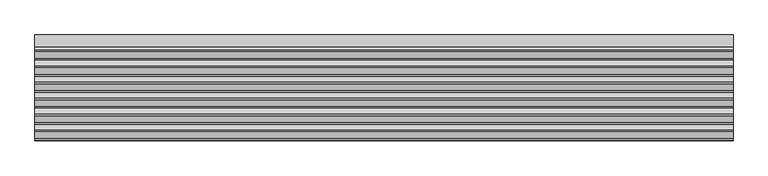
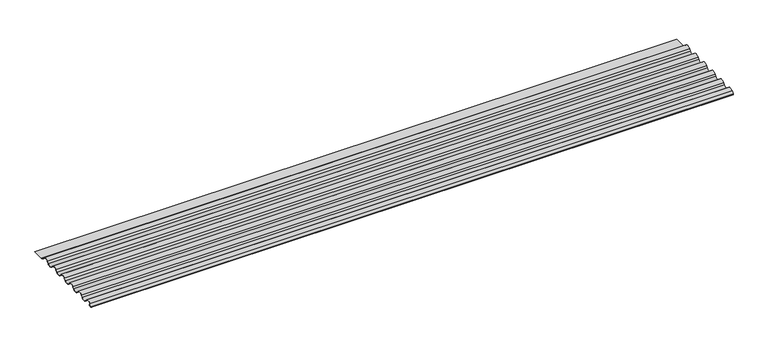
"""IFC4 building model written with IfcOpenShell, lengths in millimetres: proxy geometry."""

from ifc_helpers import new_model, si_unit, point, frame, frame_2d, origin, place, context, project, spatial, polyline, circle_curve, trimmed, segment, composite_curve, outline, extrude, source, transform, mapped, element, save


def generic_models_81b92cdd(model_context):
    return source(origin(), model_context, "Body", "SweptSolid", [
        extrude(outline(composite_curve([segment(polyline([(-182.6285528, 2.6804229), (-186.1326994, 4.8700592), (-190.6387344, 0.8128), (-195.7186473, 0.8128)]), True, "CONTINUOUS"), segment(trimmed(circle_curve(frame_2d((-195.7186473, 3.3528009)), 2.5400009), [point((-195.7186473, 0.8128))], [point((-197.6638043, 4.9861929))], False, "CARTESIAN"), True, "CONTINUOUS"), segment(polyline([(-197.6638043, 4.9861929), (-189.3692834, 14.8638867)]), True, "CONTINUOUS"), segment(trimmed(circle_curve(frame_2d((-174.6250023, 2.4827834)), 19.2531957), [point((-189.3692834, 14.8638867))], [point((-159.8807212, 14.8638867))], False, "CARTESIAN"), True, "CONTINUOUS"), segment(polyline([(-159.8807212, 14.8638867), (-153.4717126, 7.2315924)]), True, "CONTINUOUS"), segment(trimmed(circle_curve(frame_2d((-139.7000003, 18.7960079)), 17.9832079), [point((-153.4717126, 7.2315924))], [point((-125.9282879, 7.2315924))], True, "CARTESIAN"), True, "CONTINUOUS"), segment(polyline([(-125.9282879, 7.2315924), (-119.5192815, 14.8638841)]), True, "CONTINUOUS"), segment(trimmed(circle_curve(frame_2d((-104.7750004, 2.4827808)), 19.2531957), [point((-119.5192815, 14.8638841))], [point((-90.0307193, 14.8638842))], False, "CARTESIAN"), True, "CONTINUOUS"), segment(polyline([(-90.0307193, 14.8638842), (-83.6217128, 7.2315924)]), True, "CONTINUOUS"), segment(trimmed(circle_curve(frame_2d((-69.8500005, 18.7960079)), 17.9832079), [point((-83.6217128, 7.2315924))], [point((-56.0782882, 7.2315924))], True, "CARTESIAN"), True, "CONTINUOUS"), segment(polyline([(-56.0782882, 7.2315924), (-49.6692814, 14.8638846)]), True, "CONTINUOUS"), segment(trimmed(circle_curve(frame_2d((-34.9250003, 2.4827813)), 19.2531957), [point((-49.6692814, 14.8638846))], [point((-20.1807192, 14.8638846))], False, "CARTESIAN"), True, "CONTINUOUS"), segment(polyline([(-20.1807192, 14.8638846), (-13.7717123, 7.2315924)]), True, "CONTINUOUS"), segment(trimmed(circle_curve(frame_2d((0.0, 18.7960079)), 17.9832079), [point((-13.7717123, 7.2315924))], [point((13.7717123, 7.2315924))], True, "CARTESIAN"), True, "CONTINUOUS"), segment(polyline([(13.7717123, 7.2315924), (20.1807198, 14.8638854)]), True, "CONTINUOUS"), segment(trimmed(circle_curve(frame_2d((34.9250009, 2.4827821)), 19.2531957), [point((20.1807198, 14.8638854))], [point((49.669282, 14.8638854))], False, "CARTESIAN"), True, "CONTINUOUS"), segment(polyline([(49.669282, 14.8638854), (56.0782895, 7.2315924)]), True, "CONTINUOUS"), segment(trimmed(circle_curve(frame_2d((69.8500018, 18.7960079)), 17.9832079), [point((56.0782895, 7.2315924))], [point((83.6217142, 7.2315924))], True, "CARTESIAN"), True, "CONTINUOUS"), segment(polyline([(83.6217142, 7.2315924), (90.0307197, 14.863883)]), True, "CONTINUOUS"), segment(trimmed(circle_curve(frame_2d((104.7750008, 2.4827797)), 19.2531957), [point((90.0307197, 14.863883))], [point((119.5192819, 14.863883))], False, "CARTESIAN"), True, "CONTINUOUS"), segment(polyline([(119.5192819, 14.863883), (125.9282874, 7.2315924)]), True, "CONTINUOUS"), segment(trimmed(circle_curve(frame_2d((139.6999997, 18.7960079)), 17.9832079), [point((125.9282874, 7.2315924))], [point((153.471712, 7.2315924))], True, "CARTESIAN"), True, "CONTINUOUS"), segment(polyline([(153.471712, 7.2315924), (159.8807178, 14.8638833)]), True, "CONTINUOUS"), segment(trimmed(circle_curve(frame_2d((174.6249989, 2.48278)), 19.2531957), [point((159.8807178, 14.8638833))], [point((189.36928, 14.8638833))], False, "CARTESIAN"), True, "CONTINUOUS"), segment(polyline([(189.36928, 14.8638833), (195.7782857, 7.2315924)]), True, "CONTINUOUS"), segment(trimmed(circle_curve(frame_2d((209.549998, 18.7960079)), 17.9832079), [point((195.7782857, 7.2315924))], [point((209.549998, 0.8128))], True, "CARTESIAN"), True, "CONTINUOUS"), segment(polyline([(209.549998, 0.8128), (263.2106733, 0.8128), (263.2106733, 0.0), (209.549998, 0.0)]), True, "CONTINUOUS"), segment(trimmed(circle_curve(frame_2d((209.549998, 18.7960079)), 18.7960079), [point((209.549998, 0.0))], [point((195.1558357, 6.7089072))], False, "CARTESIAN"), True, "CONTINUOUS"), segment(polyline([(195.1558357, 6.7089072), (188.74683, 14.3411981)]), True, "CONTINUOUS"), segment(trimmed(circle_curve(frame_2d((174.6249989, 2.48278)), 18.4403957), [point((188.74683, 14.3411981))], [point((160.5031678, 14.3411981))], True, "CARTESIAN"), True, "CONTINUOUS"), segment(polyline([(160.5031678, 14.3411981), (154.094162, 6.7089072)]), True, "CONTINUOUS"), segment(trimmed(circle_curve(frame_2d((139.6999997, 18.7960079)), 18.7960079), [point((154.094162, 6.7089072))], [point((125.3058374, 6.7089072))], False, "CARTESIAN"), True, "CONTINUOUS"), segment(polyline([(125.3058374, 6.7089072), (118.8968319, 14.3411978)]), True, "CONTINUOUS"), segment(trimmed(circle_curve(frame_2d((104.7750008, 2.4827797)), 18.4403957), [point((118.8968319, 14.3411978))], [point((90.6531697, 14.3411978))], True, "CARTESIAN"), True, "CONTINUOUS"), segment(polyline([(90.6531697, 14.3411978), (84.2441642, 6.7089072)]), True, "CONTINUOUS"), segment(trimmed(circle_curve(frame_2d((69.8500018, 18.7960079)), 18.7960079), [point((84.2441642, 6.7089072))], [point((55.4558395, 6.7089072))], False, "CARTESIAN"), True, "CONTINUOUS"), segment(polyline([(55.4558395, 6.7089072), (49.046832, 14.3412002)]), True, "CONTINUOUS"), segment(trimmed(circle_curve(frame_2d((34.9250009, 2.4827821)), 18.4403957), [point((49.046832, 14.3412002))], [point((20.8031698, 14.3412002))], True, "CARTESIAN"), True, "CONTINUOUS"), segment(polyline([(20.8031698, 14.3412002), (14.3941623, 6.7089072)]), True, "CONTINUOUS"), segment(trimmed(circle_curve(frame_2d((0.0, 18.7960079)), 18.7960079), [point((14.3941623, 6.7089072))], [point((-14.3941623, 6.7089072))], False, "CARTESIAN"), True, "CONTINUOUS"), segment(polyline([(-14.3941623, 6.7089072), (-20.8031692, 14.3411994)]), True, "CONTINUOUS"), segment(trimmed(circle_curve(frame_2d((-34.9250003, 2.4827813)), 18.4403957), [point((-20.8031692, 14.3411994))], [point((-49.0468314, 14.3411994))], True, "CARTESIAN"), True, "CONTINUOUS"), segment(polyline([(-49.0468314, 14.3411994), (-55.4558382, 6.7089072)]), True, "CONTINUOUS"), segment(trimmed(circle_curve(frame_2d((-69.8500005, 18.7960079)), 18.7960079), [point((-55.4558382, 6.7089072))], [point((-84.2441628, 6.7089072))], False, "CARTESIAN"), True, "CONTINUOUS"), segment(polyline([(-84.2441628, 6.7089072), (-90.6531693, 14.3411989)]), True, "CONTINUOUS"), segment(trimmed(circle_curve(frame_2d((-104.7750004, 2.4827808)), 18.4403957), [point((-90.6531693, 14.3411989))], [point((-118.8968315, 14.3411989))], True, "CARTESIAN"), True, "CONTINUOUS"), segment(polyline([(-118.8968315, 14.3411989), (-125.3058379, 6.7089072)]), True, "CONTINUOUS"), segment(trimmed(circle_curve(frame_2d((-139.7000003, 18.7960079)), 18.7960079), [point((-125.3058379, 6.7089072))], [point((-154.0941626, 6.7089072))], False, "CARTESIAN"), True, "CONTINUOUS"), segment(polyline([(-154.0941626, 6.7089072), (-160.5031712, 14.3412015)]), True, "CONTINUOUS"), segment(trimmed(circle_curve(frame_2d((-174.6250023, 2.4827834)), 18.4403957), [point((-160.5031712, 14.3412015))], [point((-188.7468334, 14.3412015))], True, "CARTESIAN"), True, "CONTINUOUS"), segment(polyline([(-188.7468334, 14.3412015), (-197.0413543, 4.4635076)]), True, "CONTINUOUS"), segment(trimmed(circle_curve(frame_2d((-195.7186473, 3.3528009)), 1.7272009), [point((-197.0413543, 4.4635076))], [point((-195.7186473, 1.6256))], True, "CARTESIAN"), True, "CONTINUOUS"), segment(polyline([(-195.7186473, 1.6256), (-190.9507394, 1.6256), (-186.2214012, 5.8839228), (-182.1978341, 3.3697162), (-182.6285528, 2.6804229)]), True, "CONTINUOUS")], self_intersect=False)), frame((-1524.0, 0.0, 0.0), z_axis=(1.0, 0.0, 0.0), x_axis=(0.0, 1.0, 0.0)), (0.0, 0.0, 1.0), 3048.0),
    ])


if __name__ == "__main__":
    model = new_model("IFC4")
    model_context = context("Model", 3, world=origin())
    ifc_project = project(units=[si_unit("LENGTHUNIT", "METRE", prefix="MILLI")], contexts=[model_context])
    site = spatial("IfcSite", under=ifc_project)
    building = spatial("IfcBuilding", under=site)
    placement = place(None, origin())
    generic_models_shape = generic_models_81b92cdd(model_context)
    element("IfcBuildingElementProxy", 1, Name="Generic Models", at=placement, inside=building, context=model_context, shape_type="MappedRepresentation", body=[
        mapped(generic_models_shape, transform((0.0, 0.0, 0.0), x_axis=(1.0, 0.0, 0.0), y_axis=(0.0, 1.0, 0.0), z_axis=(0.0, 0.0, 1.0))),
    ])
    save(model, "model.ifc")
